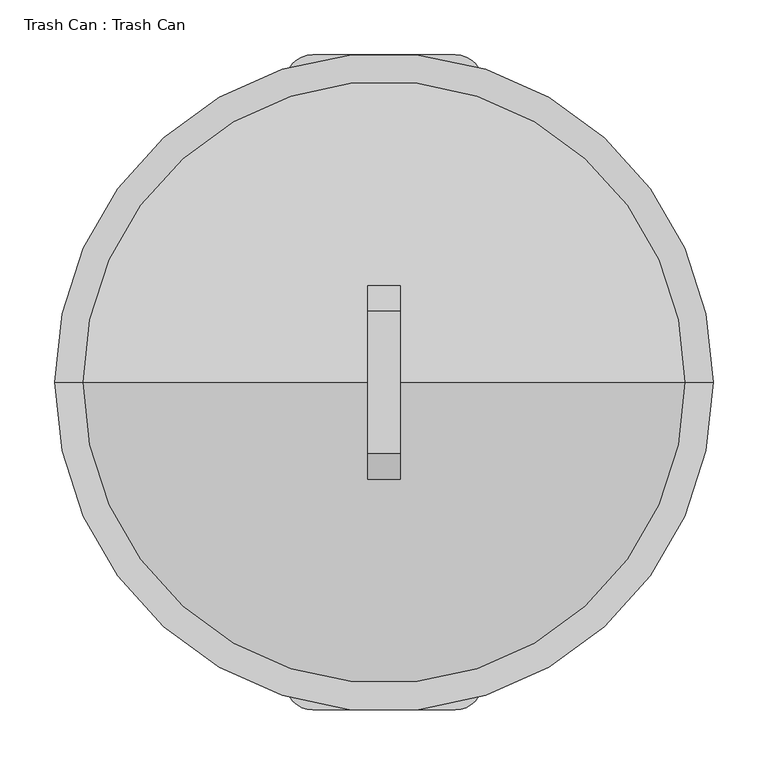
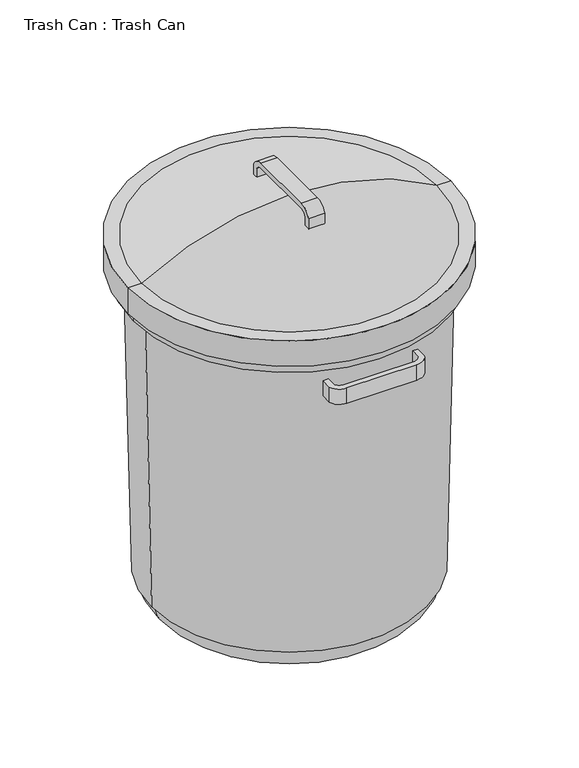
"""IFC4 building model written with IfcOpenShell, lengths in millimetres: proxy geometry, Trash Can : Trash Can."""

from ifc_helpers import new_model, si_unit, point, frame, frame_2d, origin, origin_with_axes, place, context, project, spatial, polyline, circle_curve, ellipse_curve, trimmed, segment, composite_curve, outline, extrude, source, transform, mapped, element, save
from ifc_brep_helpers import plane_surface, cylinder_surface, revolved_surface, advanced_brep


def trash_can_trash_can_2e7c03d0(model_context):
    return source(origin(), model_context, "Body", "SolidModel", [
        extrude(outline(composite_curve([segment(trimmed(circle_curve(frame_2d((65.0, 273.9116837)), 24.5883163), [point((65.0, 298.5))], [point((88.1484658, 282.2022705))], False, "CARTESIAN"), True, "CONTINUOUS"), segment(polyline([(88.1484658, 282.2022705), (88.1484658, 261.5), (78.1484658, 261.5), (78.1484658, 280.2312422)]), True, "CONTINUOUS"), segment(trimmed(circle_curve(frame_2d((65.0, 273.9116837)), 14.5883163), [point((78.1484658, 280.2312422))], [point((65.0, 288.5))], True, "CARTESIAN"), True, "CONTINUOUS"), segment(polyline([(65.0, 288.5), (-65.0, 288.5)]), True, "CONTINUOUS"), segment(trimmed(circle_curve(frame_2d((-65.0, 273.9116837)), 14.5883163), [point((-65.0, 288.5))], [point((-78.1484658, 280.2312422))], True, "CARTESIAN"), True, "CONTINUOUS"), segment(polyline([(-78.1484658, 280.2312422), (-78.1484658, 261.5), (-88.1484658, 261.5), (-88.1484658, 282.2022705)]), True, "CONTINUOUS"), segment(trimmed(circle_curve(frame_2d((-65.0, 273.9116837)), 24.5883163), [point((-88.1484658, 282.2022705))], [point((-65.0, 298.5))], False, "CARTESIAN"), True, "CONTINUOUS"), segment(polyline([(-65.0, 298.5), (65.0, 298.5)]), True, "CONTINUOUS")], self_intersect=False)), frame((0.0, 0.0, 564.6536245), z_axis=(0.0, 0.0, 1.0), x_axis=(1.0, 0.0, 0.0)), (0.0, 0.0, 1.0), 30.0),
        extrude(outline(composite_curve([segment(trimmed(circle_curve(frame_2d((65.0, -273.9116837)), 14.5883163), [point((65.0, -288.5))], [point((78.1484658, -280.2312422))], True, "CARTESIAN"), True, "CONTINUOUS"), segment(polyline([(78.1484658, -280.2312422), (78.1484658, -261.5), (88.1484658, -261.5), (88.1484658, -282.2022705)]), True, "CONTINUOUS"), segment(trimmed(circle_curve(frame_2d((65.0, -273.9116837)), 24.5883163), [point((88.1484658, -282.2022705))], [point((65.0, -298.5))], False, "CARTESIAN"), True, "CONTINUOUS"), segment(polyline([(65.0, -298.5), (-65.0, -298.5)]), True, "CONTINUOUS"), segment(trimmed(circle_curve(frame_2d((-65.0, -273.9116837)), 24.5883163), [point((-65.0, -298.5))], [point((-88.1484658, -282.2022705))], False, "CARTESIAN"), True, "CONTINUOUS"), segment(polyline([(-88.1484658, -282.2022705), (-88.1484658, -261.5), (-78.1484658, -261.5), (-78.1484658, -280.2312422)]), True, "CONTINUOUS"), segment(trimmed(circle_curve(frame_2d((-65.0, -273.9116837)), 14.5883163), [point((-78.1484658, -280.2312422))], [point((-65.0, -288.5))], True, "CARTESIAN"), True, "CONTINUOUS"), segment(polyline([(-65.0, -288.5), (65.0, -288.5)]), True, "CONTINUOUS")], self_intersect=False)), frame((0.0, 0.0, 564.6536245), z_axis=(0.0, 0.0, 1.0), x_axis=(1.0, 0.0, 0.0)), (0.0, 0.0, 1.0), 30.0),
        extrude(outline(composite_curve([segment(trimmed(circle_curve(frame_2d((-65.0, 773.5653082)), 14.5883163), [point((-65.0, 788.1536245))], [point((-78.1484658, 779.8848667))], True, "CARTESIAN"), True, "CONTINUOUS"), segment(polyline([(-78.1484658, 779.8848667), (-78.1484658, 761.1536245), (-88.1484658, 761.1536245), (-88.1484658, 781.855895)]), True, "CONTINUOUS"), segment(trimmed(circle_curve(frame_2d((-65.0, 773.5653082)), 24.5883163), [point((-88.1484658, 781.855895))], [point((-65.0, 798.1536245))], False, "CARTESIAN"), True, "CONTINUOUS"), segment(polyline([(-65.0, 798.1536245), (65.0, 798.1536245)]), True, "CONTINUOUS"), segment(trimmed(circle_curve(frame_2d((65.0, 773.5653082)), 24.5883163), [point((65.0, 798.1536245))], [point((88.1484658, 781.855895))], False, "CARTESIAN"), True, "CONTINUOUS"), segment(polyline([(88.1484658, 781.855895), (88.1484658, 761.1536245), (78.1484658, 761.1536245), (78.1484658, 779.8848667)]), True, "CONTINUOUS"), segment(trimmed(circle_curve(frame_2d((65.0, 773.5653082)), 14.5883163), [point((78.1484658, 779.8848667))], [point((65.0, 788.1536245))], True, "CARTESIAN"), True, "CONTINUOUS"), segment(polyline([(65.0, 788.1536245), (-65.0, 788.1536245)]), True, "CONTINUOUS")], self_intersect=False)), frame((-15.0, 0.0, 0.0), z_axis=(1.0, 0.0, 0.0), x_axis=(0.0, 1.0, 0.0)), (0.0, 0.0, 1.0), 30.0),
        advanced_brep(
        [(-300.0, 0.0, 692.8), (300.0, 0.0, 692.8), (300.0, 0.0, 642.8), (-300.0, 0.0, 642.8), (-274.4373327, 0.0, 692.8), (274.4373327, 0.0, 692.8), (0.0, 0.0, 770.2144888), (-268.0, 0.0, 685.0160111), (268.0, 0.0, 685.0160111), (0.0, 0.0, 760.2144841), (-268.0, 0.0, 662.8), (268.0, 0.0, 662.8), (-290.0, 0.0, 662.8), (290.0, 0.0, 662.8), (-290.0, 0.0, 642.8), (290.0, 0.0, 642.8)],
        [
            (0, 1, circle_curve(frame((0.0, 0.0, 692.8), z_axis=(0.0, 0.0, -1.0), x_axis=(1.0, 0.0, 0.0)), 300.0)),
            (1, 2),
            (2, 3, circle_curve(frame((0.0, 0.0, 642.8), z_axis=(0.0, 0.0, 1.0), x_axis=(1.0, 0.0, 0.0)), 300.0)),
            (3, 0),
            (1, 0, circle_curve(frame((0.0, 0.0, 692.8), z_axis=(0.0, 0.0, -1.0), x_axis=(1.0, 0.0, 0.0)), 300.0)),
            (3, 2, circle_curve(frame((0.0, 0.0, 642.8), z_axis=(0.0, 0.0, 1.0), x_axis=(1.0, 0.0, 0.0)), 300.0)),
            (4, 5, circle_curve(frame((0.0, 0.0, 692.8), z_axis=(0.0, 0.0, -1.0), x_axis=(1.0, 0.0, 0.0)), 274.4373327)),
            (5, 1),
            (0, 4),
            (5, 4, circle_curve(frame((0.0, 0.0, 692.8), z_axis=(0.0, 0.0, -1.0), x_axis=(1.0, 0.0, 0.0)), 274.4373327)),
            (6, 5, circle_curve(frame((0.5009211, 0.0, 246.8375926), z_axis=(0.0, 1.0, 0.0), x_axis=(1.0, 0.0, 0.0)), 523.3771359)),
            (4, 6, circle_curve(frame((-0.5009211, 0.0, 246.8375926), z_axis=(0.0, 1.0, 0.0), x_axis=(-1.0, 0.0, 0.0)), 523.3771359)),
            (7, 8, circle_curve(frame((0.0, 0.0, 685.0160111), z_axis=(0.0, 0.0, -1.0), x_axis=(1.0, 0.0, 0.0)), 268.0)),
            (8, 9, circle_curve(frame((0.5009211, 0.0, 246.8375926), z_axis=(0.0, -1.0, 0.0), x_axis=(1.0, 0.0, 0.0)), 513.3771359)),
            (9, 7, circle_curve(frame((-0.5009211, 0.0, 246.8375926), z_axis=(0.0, -1.0, 0.0), x_axis=(-1.0, 0.0, 0.0)), 513.3771359)),
            (8, 7, circle_curve(frame((0.0, 0.0, 685.0160111), z_axis=(0.0, 0.0, -1.0), x_axis=(1.0, 0.0, 0.0)), 268.0)),
            (10, 11, circle_curve(frame((0.0, 0.0, 662.8), z_axis=(0.0, 0.0, -1.0), x_axis=(1.0, 0.0, 0.0)), 268.0)),
            (11, 8),
            (7, 10),
            (11, 10, circle_curve(frame((0.0, 0.0, 662.8), z_axis=(0.0, 0.0, -1.0), x_axis=(1.0, 0.0, 0.0)), 268.0)),
            (12, 13, circle_curve(frame((0.0, 0.0, 662.8), z_axis=(0.0, 0.0, -1.0), x_axis=(1.0, 0.0, 0.0)), 290.0)),
            (13, 11),
            (10, 12),
            (13, 12, circle_curve(frame((0.0, 0.0, 662.8), z_axis=(0.0, 0.0, -1.0), x_axis=(1.0, 0.0, 0.0)), 290.0)),
            (14, 15, circle_curve(frame((0.0, 0.0, 642.8), z_axis=(0.0, 0.0, -1.0), x_axis=(1.0, 0.0, 0.0)), 290.0)),
            (15, 13),
            (12, 14),
            (15, 14, circle_curve(frame((0.0, 0.0, 642.8), z_axis=(0.0, 0.0, -1.0), x_axis=(1.0, 0.0, 0.0)), 290.0)),
            (2, 15),
            (14, 3),
        ],
        [
            cylinder_surface(frame((0.0, 0.0, 1540.2144888), z_axis=(0.0, 0.0, 1.0), x_axis=(1.0, 0.0, 0.0)), 300.0),
            plane_surface(frame((0.0, 0.0, 692.8), z_axis=(0.0, 0.0, 1.0), x_axis=(1.0, 0.0, 0.0))),
            revolved_surface(trimmed(ellipse_curve(frame((0.5009211, 0.0, 246.8375926), z_axis=(0.0, -1.0, 0.0), x_axis=(1.0, 0.0, 0.0)), 523.3771359, 523.3771359), [point((274.4373327, 0.0, 692.8))], [point((0.0, 0.0, 770.2144888))], True, "CARTESIAN"), (0.0, 0.0, 1540.2144888), (0.0, 0.0, 1.0)),
            revolved_surface(trimmed(ellipse_curve(frame((0.5009211, 0.0, 246.8375926), z_axis=(0.0, 1.0, 0.0), x_axis=(1.0, 0.0, 0.0)), 513.3771359, 513.3771359), [point((0.0, 0.0, 760.2144841))], [point((268.0, 0.0, 685.0160111))], True, "CARTESIAN"), (0.0, 0.0, 1540.2144888), (0.0, 0.0, 1.0)),
            revolved_surface(polyline([(268.0, 0.0, 685.0160111), (268.0, 0.0, 662.8)]), (0.0, 0.0, 1540.2144888), (0.0, 0.0, 1.0)),
            plane_surface(frame((0.0, 0.0, 662.8), z_axis=(0.0, 0.0, -1.0), x_axis=(1.0, 0.0, 0.0))),
            revolved_surface(polyline([(290.0, 0.0, 662.8), (290.0, 0.0, 642.8)]), (0.0, 0.0, 1540.2144888), (0.0, 0.0, 1.0)),
            plane_surface(frame((0.0, 0.0, 642.8), z_axis=(0.0, 0.0, -1.0), x_axis=(1.0, 0.0, 0.0))),
        ],
        [
            (0, [[1, 2, 3, 4]]),
            (0, [[5, -4, 6, -2]]),
            (1, [[7, 8, -1, 9]]),
            (1, [[10, -9, -5, -8]]),
            (2, [[11, -7, 12]]),
            (2, [[-12, -10, -11]]),
            (3, [[13, 14, 15]]),
            (3, [[16, -15, -14]]),
            (4, [[17, 18, -13, 19]]),
            (4, [[20, -19, -16, -18]]),
            (5, [[21, 22, -17, 23]]),
            (5, [[24, -23, -20, -22]]),
            (6, [[25, 26, -21, 27]]),
            (6, [[28, -27, -24, -26]]),
            (7, [[-3, 29, -25, 30]]),
            (7, [[-6, -30, -28, -29]]),
        ],
    ),
        advanced_brep(
        [(-250.0, 0.0, 50.0), (250.0, 0.0, 50.0), (200.0, 0.0, 0.0), (-200.0, 0.0, 0.0), (-255.0, 0.0, 50.0), (255.0, 0.0, 50.0), (-267.2401701, 0.0, 623.9807935), (267.2401701, 0.0, 623.9807935), (-290.0, 0.0, 623.9807935), (290.0, 0.0, 623.9807935), (-290.0, 0.0, 642.8), (290.0, 0.0, 642.8), (-255.4609458, 0.0, 642.8), (255.4609458, 0.0, 642.8), (-240.0034009, 0.0, 50.2607808), (240.0034009, 0.0, 50.2607808), (-200.0, 0.0, 20.0), (200.0, 0.0, 20.0), (-100.0, 0.0, 20.0), (100.0, 0.0, 20.0), (0.0, 0.0, 30.0), (-100.0, 0.0, 0.0), (100.0, 0.0, 0.0), (0.0, 0.0, 10.0)],
        [
            (0, 1, circle_curve(frame((0.0, 0.0, 50.0), z_axis=(0.0, 0.0, -1.0), x_axis=(1.0, 0.0, 0.0)), 250.0)),
            (1, 2, circle_curve(frame((200.0, 0.0, 50.0), z_axis=(0.0, 1.0, 0.0), x_axis=(1.0, 0.0, 0.0)), 50.0)),
            (2, 3, circle_curve(origin_with_axes(), 200.0)),
            (3, 0, circle_curve(frame((-200.0, 0.0, 50.0), z_axis=(0.0, 1.0, 0.0), x_axis=(-1.0, 0.0, 0.0)), 50.0)),
            (1, 0, circle_curve(frame((0.0, 0.0, 50.0), z_axis=(0.0, 0.0, -1.0), x_axis=(1.0, 0.0, 0.0)), 250.0)),
            (3, 2, circle_curve(origin_with_axes(), 200.0)),
            (4, 5, circle_curve(frame((0.0, 0.0, 50.0), z_axis=(0.0, 0.0, -1.0), x_axis=(1.0, 0.0, 0.0)), 255.0)),
            (5, 1),
            (0, 4),
            (5, 4, circle_curve(frame((0.0, 0.0, 50.0), z_axis=(0.0, 0.0, -1.0), x_axis=(1.0, 0.0, 0.0)), 255.0)),
            (6, 7, circle_curve(frame((0.0, 0.0, 623.9807935), z_axis=(0.0, 0.0, -1.0), x_axis=(1.0, 0.0, 0.0)), 267.2401701)),
            (7, 5),
            (4, 6),
            (7, 6, circle_curve(frame((0.0, 0.0, 623.9807935), z_axis=(0.0, 0.0, -1.0), x_axis=(1.0, 0.0, 0.0)), 267.2401701)),
            (8, 9, circle_curve(frame((0.0, 0.0, 623.9807935), z_axis=(0.0, 0.0, -1.0), x_axis=(1.0, 0.0, 0.0)), 290.0)),
            (9, 7),
            (6, 8),
            (9, 8, circle_curve(frame((0.0, 0.0, 623.9807935), z_axis=(0.0, 0.0, -1.0), x_axis=(1.0, 0.0, 0.0)), 290.0)),
            (10, 11, circle_curve(frame((0.0, 0.0, 642.8), z_axis=(0.0, 0.0, -1.0), x_axis=(1.0, 0.0, 0.0)), 290.0)),
            (11, 9),
            (8, 10),
            (11, 10, circle_curve(frame((0.0, 0.0, 642.8), z_axis=(0.0, 0.0, -1.0), x_axis=(1.0, 0.0, 0.0)), 290.0)),
            (12, 13, circle_curve(frame((0.0, 0.0, 642.8), z_axis=(0.0, 0.0, -1.0), x_axis=(1.0, 0.0, 0.0)), 255.4609458)),
            (13, 11),
            (10, 12),
            (13, 12, circle_curve(frame((0.0, 0.0, 642.8), z_axis=(0.0, 0.0, -1.0), x_axis=(1.0, 0.0, 0.0)), 255.4609458)),
            (14, 15, circle_curve(frame((0.0, 0.0, 50.2607808), z_axis=(0.0, 0.0, -1.0), x_axis=(1.0, 0.0, 0.0)), 240.0034009)),
            (15, 13),
            (12, 14),
            (15, 14, circle_curve(frame((0.0, 0.0, 50.2607808), z_axis=(0.0, 0.0, -1.0), x_axis=(1.0, 0.0, 0.0)), 240.0034009)),
            (16, 17, circle_curve(frame((0.0, 0.0, 20.0), z_axis=(0.0, 0.0, -1.0), x_axis=(1.0, 0.0, 0.0)), 200.0)),
            (17, 15, circle_curve(frame((203.3941007, 0.0, 57.0848956), z_axis=(0.0, -1.0, 0.0), x_axis=(1.0, 0.0, 0.0)), 37.23989)),
            (14, 16, circle_curve(frame((-203.3941007, 0.0, 57.0848956), z_axis=(0.0, -1.0, 0.0), x_axis=(-1.0, 0.0, 0.0)), 37.23989)),
            (17, 16, circle_curve(frame((0.0, 0.0, 20.0), z_axis=(0.0, 0.0, -1.0), x_axis=(1.0, 0.0, 0.0)), 200.0)),
            (18, 19, circle_curve(frame((0.0, 0.0, 20.0), z_axis=(0.0, 0.0, -1.0), x_axis=(1.0, 0.0, 0.0)), 100.0)),
            (19, 17),
            (16, 18),
            (19, 18, circle_curve(frame((0.0, 0.0, 20.0), z_axis=(0.0, 0.0, -1.0), x_axis=(1.0, 0.0, 0.0)), 100.0)),
            (20, 19, circle_curve(frame((7.0787105, 0.0, -404.2128954), z_axis=(0.0, 1.0, 0.0), x_axis=(1.0, 0.0, 0.0)), 434.2705916)),
            (18, 20, circle_curve(frame((-7.0787105, 0.0, -404.2128954), z_axis=(0.0, 1.0, 0.0), x_axis=(-1.0, 0.0, 0.0)), 434.2705916)),
            (21, 22, circle_curve(frame((0.0, 0.0, 0.0), z_axis=(0.0, 0.0, -1.0), x_axis=(1.0, 0.0, 0.0)), 100.0)),
            (22, 23, circle_curve(frame((7.0787105, 0.0, -424.2128954), z_axis=(0.0, -1.0, 0.0), x_axis=(1.0, 0.0, 0.0)), 434.2705916)),
            (23, 21, circle_curve(frame((-7.0787105, 0.0, -424.2128954), z_axis=(0.0, -1.0, 0.0), x_axis=(-1.0, 0.0, 0.0)), 434.2705916)),
            (22, 21, circle_curve(frame((0.0, 0.0, 0.0), z_axis=(0.0, 0.0, -1.0), x_axis=(1.0, 0.0, 0.0)), 100.0)),
            (2, 22),
            (21, 3),
        ],
        [
            revolved_surface(trimmed(ellipse_curve(frame((200.0, 0.0, 50.0), z_axis=(0.0, -1.0, 0.0), x_axis=(1.0, 0.0, 0.0)), 50.0, 50.0), [point((200.0, 0.0, 0.0))], [point((250.0, 0.0, 50.0))], True, "CARTESIAN"), (0.0, 0.0, 1997.4144888), (0.0, 0.0, 1.0)),
            plane_surface(frame((0.0, 0.0, 50.0), z_axis=(0.0, 0.0, -1.0), x_axis=(1.0, 0.0, 0.0))),
            revolved_surface(polyline([(255.0, 0.0, 50.0), (267.2401701, 0.0, 623.9807935)]), (0.0, 0.0, 1997.4144888), (0.0, 0.0, 1.0)),
            plane_surface(frame((0.0, 0.0, 623.9807935), z_axis=(0.0, 0.0, -1.0), x_axis=(1.0, 0.0, 0.0))),
            cylinder_surface(frame((0.0, 0.0, 1997.4144888), z_axis=(0.0, 0.0, 1.0), x_axis=(1.0, 0.0, 0.0)), 290.0),
            plane_surface(frame((0.0, 0.0, 642.8), z_axis=(0.0, 0.0, 1.0), x_axis=(1.0, 0.0, 0.0))),
            revolved_surface(polyline([(255.4609458, 0.0, 642.8), (240.0034009, 0.0, 50.2607808)]), (0.0, 0.0, 1997.4144888), (0.0, 0.0, 1.0)),
            revolved_surface(trimmed(ellipse_curve(frame((203.3941007, 0.0, 57.0848956), z_axis=(0.0, 1.0, 0.0), x_axis=(1.0, 0.0, 0.0)), 37.23989, 37.23989), [point((240.0034009, 0.0, 50.2607808))], [point((200.0, 0.0, 20.0))], True, "CARTESIAN"), (0.0, 0.0, 1997.4144888), (0.0, 0.0, 1.0)),
            plane_surface(frame((0.0, 0.0, 20.0), z_axis=(0.0, 0.0, 1.0), x_axis=(1.0, 0.0, 0.0))),
            revolved_surface(trimmed(ellipse_curve(frame((7.0787105, 0.0, -404.2128954), z_axis=(0.0, -1.0, 0.0), x_axis=(1.0, 0.0, 0.0)), 434.2705916, 434.2705916), [point((100.0, 0.0, 20.0))], [point((0.0, 0.0, 30.0))], True, "CARTESIAN"), (0.0, 0.0, 1997.4144888), (0.0, 0.0, 1.0)),
            revolved_surface(trimmed(ellipse_curve(frame((7.0787105, 0.0, -424.2128954), z_axis=(0.0, 1.0, 0.0), x_axis=(1.0, 0.0, 0.0)), 434.2705916, 434.2705916), [point((0.0, 0.0, 10.0))], [point((100.0, 0.0, 0.0))], True, "CARTESIAN"), (0.0, 0.0, 1997.4144888), (0.0, 0.0, 1.0)),
            plane_surface(frame((0.0, 0.0, 0.0), z_axis=(0.0, 0.0, -1.0), x_axis=(1.0, 0.0, 0.0))),
        ],
        [
            (0, [[1, 2, 3, 4]]),
            (0, [[5, -4, 6, -2]]),
            (1, [[7, 8, -1, 9]]),
            (1, [[10, -9, -5, -8]]),
            (2, [[11, 12, -7, 13]]),
            (2, [[14, -13, -10, -12]]),
            (3, [[15, 16, -11, 17]]),
            (3, [[18, -17, -14, -16]]),
            (4, [[19, 20, -15, 21]]),
            (4, [[22, -21, -18, -20]]),
            (5, [[23, 24, -19, 25]]),
            (5, [[26, -25, -22, -24]]),
            (6, [[27, 28, -23, 29]]),
            (6, [[30, -29, -26, -28]]),
            (7, [[31, 32, -27, 33]]),
            (7, [[34, -33, -30, -32]]),
            (8, [[35, 36, -31, 37]]),
            (8, [[38, -37, -34, -36]]),
            (9, [[39, -35, 40]]),
            (9, [[-40, -38, -39]]),
            (10, [[41, 42, 43]]),
            (10, [[44, -43, -42]]),
            (11, [[-3, 45, -41, 46]]),
            (11, [[-6, -46, -44, -45]]),
        ],
    ),
    ])


if __name__ == "__main__":
    model = new_model("IFC4")
    model_context = context("Model", 3, world=origin())
    ifc_project = project(units=[si_unit("LENGTHUNIT", "METRE", prefix="MILLI")], contexts=[model_context])
    site = spatial("IfcSite", under=ifc_project)
    building = spatial("IfcBuilding", under=site)
    placement = place(None, origin())
    trash_can_trash_can_shape = trash_can_trash_can_2e7c03d0(model_context)
    element("IfcBuildingElementProxy", 1, Name="Trash Can : Trash Can", ObjectType="Trash Can : Trash Can", at=placement, inside=building, context=model_context, shape_type="MappedRepresentation", body=[
        mapped(trash_can_trash_can_shape, transform((0.0, 0.0, 0.0), x_axis=(1.0, 0.0, 0.0), y_axis=(0.0, 1.0, 0.0), z_axis=(0.0, 0.0, 1.0))),
    ])
    save(model, "model.ifc")
